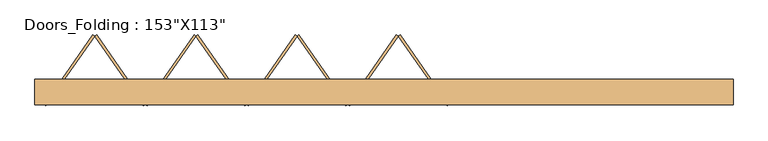
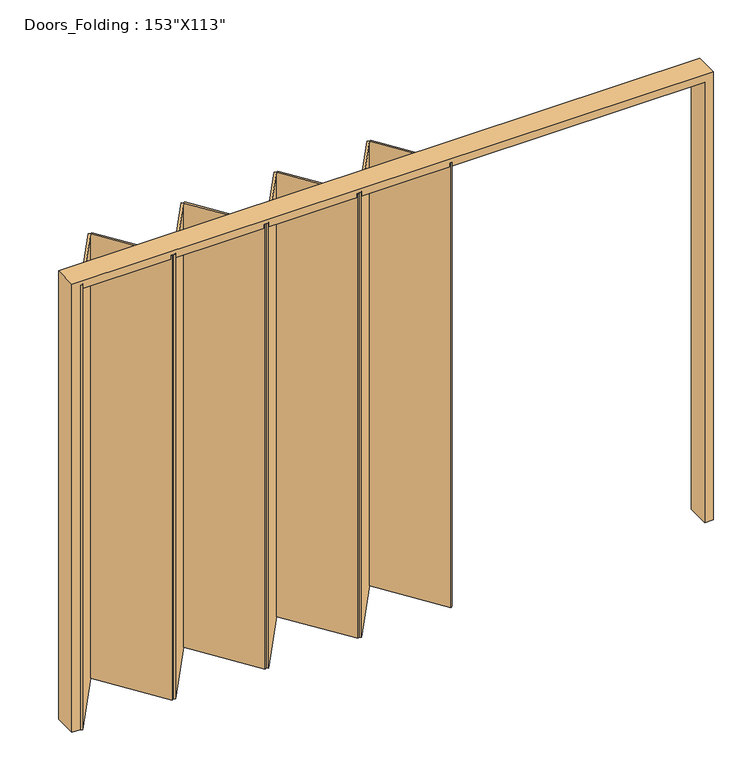
"""IFC4 building model written with IfcOpenShell, lengths in millimetres: door geometry."""

from ifc_helpers import new_model, si_unit, frame, origin, origin_with_axes, place, context, project, spatial, polyline, outline, extrude, source, transform, mapped, element, save


def door_64086e1b(model_context):
    return source(origin(), model_context, "Body", "SweptSolid", [
        extrude(outline(polyline([(0.0, -1943.1), (0.0, -1892.3), (2819.4, -1892.3), (2819.4, 1892.3), (0.0, 1892.3), (0.0, 1943.1), (2870.2, 1943.1), (2870.2, -1943.1), (0.0, -1943.1)])), frame((0.0, -63.5, 0.0), z_axis=(0.0, 1.0, 0.0), x_axis=(0.0, 0.0, 1.0)), (0.0, 0.0, 1.0), 139.7),
        extrude(outline(polyline([(-1620.9553274, 324.0203534), (-1610.5520964, 316.7359326), (-1881.896769, -70.7844207), (-1892.3, -63.5), (-1620.9553274, 324.0203534)])), origin_with_axes(), (0.0, 0.0, 1.0), 2844.8),
        extrude(outline(polyline([(-1339.2074238, -70.7844207), (-1610.5520964, 316.7359326), (-1600.1488654, 324.0203534), (-1328.8041928, -63.5), (-1339.2074238, -70.7844207)])), origin_with_axes(), (0.0, 0.0, 1.0), 2844.8),
        extrude(outline(polyline([(-1057.4595202, 324.0203534), (-1047.0562892, 316.7359326), (-1318.4009619, -70.7844207), (-1328.8041928, -63.5), (-1057.4595202, 324.0203534)])), origin_with_axes(), (0.0, 0.0, 1.0), 2844.8),
        extrude(outline(polyline([(-775.7116166, -70.7844207), (-1047.0562892, 316.7359326), (-1036.6530583, 324.0203534), (-765.3083856, -63.5), (-775.7116166, -70.7844207)])), origin_with_axes(), (0.0, 0.0, 1.0), 2844.8),
        extrude(outline(polyline([(-493.963713, 324.0203534), (-483.5604821, 316.7359326), (-754.9051547, -70.7844207), (-765.3083856, -63.5), (-493.963713, 324.0203534)])), origin_with_axes(), (0.0, 0.0, 1.0), 2844.8),
        extrude(outline(polyline([(-212.2158094, -70.7844207), (-483.5604821, 316.7359326), (-473.1572511, 324.0203534), (-201.8125785, -63.5), (-212.2158094, -70.7844207)])), origin_with_axes(), (0.0, 0.0, 1.0), 2844.8),
        extrude(outline(polyline([(69.5320942, 324.0203534), (79.9353251, 316.7359326), (-191.4093475, -70.7844207), (-201.8125785, -63.5), (69.5320942, 324.0203534)])), origin_with_axes(), (0.0, 0.0, 1.0), 2844.8),
        extrude(outline(polyline([(351.2799978, -70.7844207), (79.9353251, 316.7359326), (90.3385561, 324.0203534), (361.6832287, -63.5), (351.2799978, -70.7844207)])), origin_with_axes(), (0.0, 0.0, 1.0), 2844.8),
    ])


if __name__ == "__main__":
    model = new_model("IFC4")
    model_context = context("Model", 3, world=origin())
    ifc_project = project(units=[si_unit("LENGTHUNIT", "METRE", prefix="MILLI")], contexts=[model_context])
    site = spatial("IfcSite", under=ifc_project)
    building = spatial("IfcBuilding", under=site)
    placement = place(None, origin())
    door_shape = door_64086e1b(model_context)
    element("IfcDoor", 1, ObjectType="Doors_Folding : 153\"X113\"", at=placement, inside=building, context=model_context, shape_type="MappedRepresentation", body=[
        mapped(door_shape, transform((0.0, 0.0, 0.0), x_axis=(1.0, 0.0, 0.0), y_axis=(0.0, 1.0, 0.0), z_axis=(0.0, 0.0, 1.0))),
    ])
    save(model, "model.ifc")
